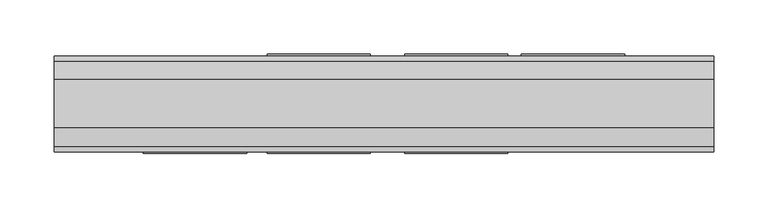
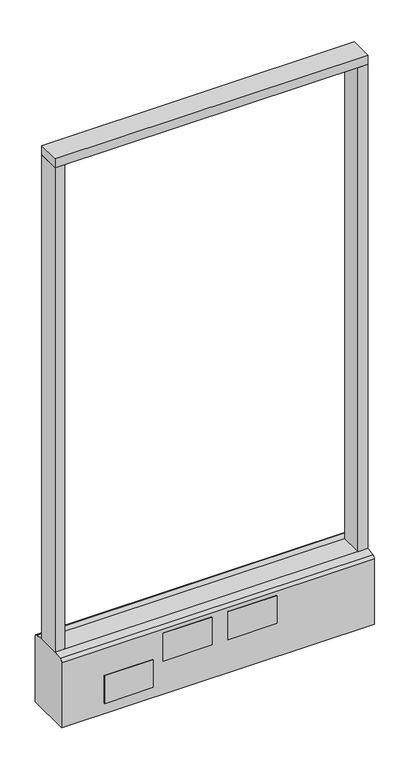
"""IFC4 building model written with IfcOpenShell, lengths in millimetres: furniture geometry."""

from ifc_helpers import new_model, si_unit, point, frame, frame_2d, origin, origin_with_axes, place, context, project, spatial, polyline, circle_curve, trimmed, segment, composite_curve, outline, extrude, source, transform, mapped, element, save


def furniture_627ff559(model_context):
    return source(origin(), model_context, "Body", "SweptSolid", [
        extrude(outline(polyline([(304.8, -22.225), (-304.8, -22.225), (-304.8, 22.225), (304.8, 22.225), (304.8, -22.225)])), frame((0.0, 0.0, 1149.35), z_axis=(0.0, 0.0, 1.0), x_axis=(1.0, 0.0, 0.0)), (0.0, 0.0, 1.0), 19.05),
        extrude(outline(composite_curve([segment(trimmed(circle_curve(frame_2d((-228.6, 0.0)), 23.415625), [point((-252.015625, 0.0))], [point((-205.184375, 0.0))], False, "CARTESIAN"), True, "CONTINUOUS"), segment(trimmed(circle_curve(frame_2d((-228.6, 0.0)), 23.415625), [point((-205.184375, 0.0))], [point((-252.015625, 0.0))], False, "CARTESIAN"), True, "CONTINUOUS")], self_intersect=False)), origin_with_axes(), (0.0, 0.0, 1.0), 6.35),
        extrude(outline(composite_curve([segment(trimmed(circle_curve(frame_2d((228.6, 0.0)), 23.415625), [point((205.184375, 0.0))], [point((252.015625, 0.0))], False, "CARTESIAN"), True, "CONTINUOUS"), segment(trimmed(circle_curve(frame_2d((228.6, 0.0)), 23.415625), [point((252.015625, 0.0))], [point((205.184375, 0.0))], False, "CARTESIAN"), True, "CONTINUOUS")], self_intersect=False)), origin_with_axes(), (0.0, 0.0, 1.0), 6.35),
        extrude(outline(polyline([(-285.7500091, -22.225), (-304.8, -22.225), (-304.8, 22.225), (-285.7500091, 22.225), (-285.7500091, -22.225)])), frame((0.0, 0.0, 152.4), z_axis=(0.0, 0.0, 1.0), x_axis=(1.0, 0.0, 0.0)), (0.0, 0.0, 1.0), 996.95),
        extrude(outline(polyline([(304.8, -22.225), (285.7500091, -22.225), (285.7500091, 22.225), (304.8, 22.225), (304.8, -22.225)])), frame((0.0, 0.0, 152.4), z_axis=(0.0, 0.0, 1.0), x_axis=(1.0, 0.0, 0.0)), (0.0, 0.0, 1.0), 996.95),
        extrude(outline(composite_curve([segment(polyline([(-22.225, 152.4), (22.225, 152.4), (39.43219, 149.94183)]), True, "CONTINUOUS"), segment(trimmed(circle_curve(frame_2d((38.605678, 144.1562464)), 5.844322), [point((39.43219, 149.94183))], [point((44.45, 144.1562464))], False, "CARTESIAN"), True, "CONTINUOUS"), segment(polyline([(44.45, 144.1562464), (44.45, 9.525), (-44.4433083, 9.525), (-44.4433083, 144.1572033)]), True, "CONTINUOUS"), segment(trimmed(circle_curve(frame_2d((-38.5989863, 144.1572033)), 5.844322), [point((-44.4433083, 144.1572033))], [point((-39.4222979, 149.9432432))], False, "CARTESIAN"), True, "CONTINUOUS"), segment(polyline([(-39.4222979, 149.9432432), (-22.225, 152.4)]), True, "CONTINUOUS")], self_intersect=False)), frame((-304.8, 0.0, 0.0), z_axis=(1.0, 0.0, 0.0), x_axis=(0.0, 1.0, 0.0)), (0.0, 0.0, 1.0), 609.6),
        extrude(outline(polyline([(222.25, 44.45), (127.0, 44.45), (127.0, 46.0375), (222.25, 46.0375), (222.25, 44.45)])), frame((0.0, 0.0, 31.75), z_axis=(0.0, 0.0, 1.0), x_axis=(1.0, 0.0, 0.0)), (0.0, 0.0, 1.0), 57.15),
        extrude(outline(polyline([(114.3, 44.45), (19.05, 44.45), (19.05, 46.0375), (114.3, 46.0375), (114.3, 44.45)])), frame((0.0, 0.0, 79.1718), z_axis=(0.0, 0.0, 1.0), x_axis=(1.0, 0.0, 0.0)), (0.0, 0.0, 1.0), 57.15),
        extrude(outline(polyline([(-12.7, 44.45), (-107.95, 44.45), (-107.95, 46.0375), (-12.7, 46.0375), (-12.7, 44.45)])), frame((0.0, 0.0, 79.1718), z_axis=(0.0, 0.0, 1.0), x_axis=(1.0, 0.0, 0.0)), (0.0, 0.0, 1.0), 57.15),
        extrude(outline(polyline([(-127.0, -46.0375), (-222.25, -46.0375), (-222.25, -44.45), (-127.0, -44.45), (-127.0, -46.0375)])), frame((0.0, 0.0, 31.75), z_axis=(0.0, 0.0, 1.0), x_axis=(1.0, 0.0, 0.0)), (0.0, 0.0, 1.0), 57.15),
        extrude(outline(polyline([(114.3, -46.0375), (19.05, -46.0375), (19.05, -44.45), (114.3, -44.45), (114.3, -46.0375)])), frame((0.0, 0.0, 79.1718), z_axis=(0.0, 0.0, 1.0), x_axis=(1.0, 0.0, 0.0)), (0.0, 0.0, 1.0), 57.15),
        extrude(outline(polyline([(-12.7, -46.0375), (-107.95, -46.0375), (-107.95, -44.45), (-12.7, -44.45), (-12.7, -46.0375)])), frame((0.0, 0.0, 79.1718), z_axis=(0.0, 0.0, 1.0), x_axis=(1.0, 0.0, 0.0)), (0.0, 0.0, 1.0), 57.15),
        extrude(outline(composite_curve([segment(trimmed(circle_curve(frame_2d((-228.6, 0.0)), 5.55625), [point((-234.15625, 0.0))], [point((-223.04375, 0.0))], False, "CARTESIAN"), True, "CONTINUOUS"), segment(trimmed(circle_curve(frame_2d((-228.6, 0.0)), 5.55625), [point((-223.04375, 0.0))], [point((-234.15625, 0.0))], False, "CARTESIAN"), True, "CONTINUOUS")], self_intersect=False)), frame((0.0, 0.0, 6.35), z_axis=(0.0, 0.0, 1.0), x_axis=(1.0, 0.0, 0.0)), (0.0, 0.0, 1.0), 3.175),
        extrude(outline(composite_curve([segment(trimmed(circle_curve(frame_2d((228.6, 0.0)), 5.55625), [point((223.04375, 0.0))], [point((234.15625, 0.0))], False, "CARTESIAN"), True, "CONTINUOUS"), segment(trimmed(circle_curve(frame_2d((228.6, 0.0)), 5.55625), [point((234.15625, 0.0))], [point((223.04375, 0.0))], False, "CARTESIAN"), True, "CONTINUOUS")], self_intersect=False)), frame((0.0, 0.0, 6.35), z_axis=(0.0, 0.0, 1.0), x_axis=(1.0, 0.0, 0.0)), (0.0, 0.0, 1.0), 3.175),
    ])


if __name__ == "__main__":
    model = new_model("IFC4")
    model_context = context("Model", 3, world=origin())
    ifc_project = project(units=[si_unit("LENGTHUNIT", "METRE", prefix="MILLI")], contexts=[model_context])
    site = spatial("IfcSite", under=ifc_project)
    building = spatial("IfcBuilding", under=site)
    placement = place(None, origin())
    furniture_shape = furniture_627ff559(model_context)
    element("IfcFurniture", 1, at=placement, inside=building, context=model_context, shape_type="MappedRepresentation", body=[
        mapped(furniture_shape, transform((0.0, 0.0, 0.0), x_axis=(1.0, 0.0, 0.0), y_axis=(0.0, 1.0, 0.0), z_axis=(0.0, 0.0, 1.0))),
    ])
    save(model, "model.ifc")
